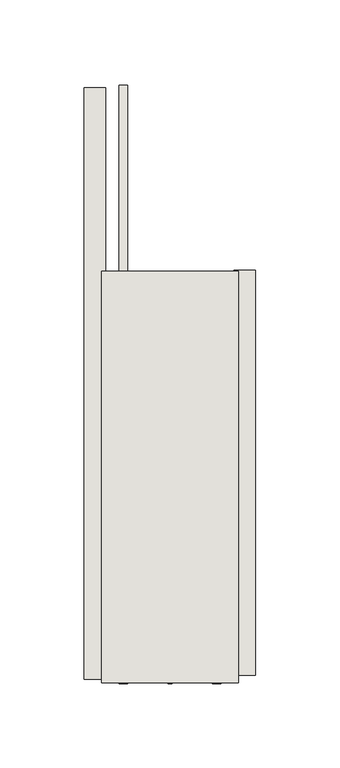
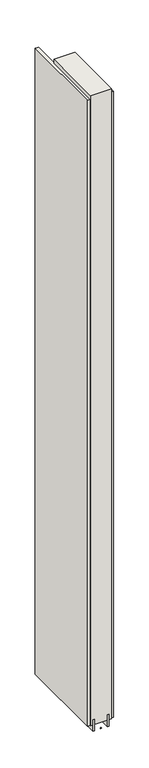
"""IFC4 building model written with IfcOpenShell, lengths in millimetres: wall geometry."""

from ifc_helpers import new_model, si_unit, frame, origin, place, context, project, spatial, polyline, outline, extrude, source, transform, mapped, element, save


def wall_4588a4bd(model_context):
    return source(origin(), model_context, "Body", "SweptSolid", [
        extrude(outline(polyline([(78033.282211, -56933.660961), (78033.282211, -56936.200961), (78030.742211, -56936.200961), (78030.742211, -56933.660961), (78033.282211, -56933.660961)])), frame((0.0, 0.0, 4419.6), z_axis=(0.0, 0.0, 1.0), x_axis=(1.0, 0.0, 0.0)), (0.0, 0.0, 1.0), 2.54),
        extrude(outline(polyline([(77981.212211, -56934.2008253), (77981.212211, -56583.7569999), (77993.912211, -56583.7569999), (77993.912211, -56934.2008253), (77981.212211, -56934.2008253)])), frame((0.0, 0.0, 4445.0), z_axis=(0.0, 0.0, 1.0), x_axis=(1.0, 0.0, 0.0)), (0.0, 0.0, 1.0), 2545.0498756),
        extrude(outline(polyline([(78082.812211, -56691.8909848), (78082.812211, -56931.7348028), (78070.112211, -56931.7348028), (78070.112211, -56691.8909848), (78082.812211, -56691.8909848)])), frame((0.0, 0.0, 4445.0), z_axis=(0.0, 0.0, 1.0), x_axis=(1.0, 0.0, 0.0)), (0.0, 0.0, 1.0), 2545.0498756),
        extrude(outline(polyline([(78006.9284664, -56581.749422), (78006.9284664, -56936.2084032), (78001.849711, -56936.2084032), (78001.849711, -56581.749422), (78006.9284664, -56581.749422)])), frame((0.0, 0.0, 4418.6602), z_axis=(0.0, 0.0, 1.0), x_axis=(1.0, 0.0, 0.0)), (0.0, 0.0, 1.0), 47.625),
        extrude(outline(polyline([(78006.9284664, -56581.749422), (78006.9284664, -56936.2084032), (78001.849711, -56936.2084032), (78001.849711, -56581.749422), (78006.9284664, -56581.749422)])), frame((0.0, 0.0, 4418.6602), z_axis=(0.0, 0.0, 1.0), x_axis=(1.0, 0.0, 0.0)), (0.0, 0.0, 1.0), 47.625),
        extrude(outline(polyline([(78057.0959556, -56936.2084032), (78057.0959556, -56692.365914), (78062.174711, -56692.365914), (78062.174711, -56936.2084032), (78057.0959556, -56936.2084032)])), frame((0.0, 0.0, 4418.6602), z_axis=(0.0, 0.0, 1.0), x_axis=(1.0, 0.0, 0.0)), (0.0, 0.0, 1.0), 47.625),
        extrude(outline(polyline([(78057.0959556, -56936.2084032), (78057.0959556, -56692.365914), (78062.174711, -56692.365914), (78062.174711, -56936.2084032), (78057.0959556, -56936.2084032)])), frame((0.0, 0.0, 4418.6602), z_axis=(0.0, 0.0, 1.0), x_axis=(1.0, 0.0, 0.0)), (0.0, 0.0, 1.0), 47.625),
        extrude(outline(polyline([(77991.3573266, -56692.365914), (78072.6670954, -56692.365914), (78072.6670954, -56936.2084032), (77991.3573266, -56936.2084032), (77991.3573266, -56692.365914)])), frame((0.0, 0.0, 4445.0), z_axis=(0.0, 0.0, 1.0), x_axis=(1.0, 0.0, 0.0)), (0.0, 0.0, 1.0), 2562.4536762),
    ])


if __name__ == "__main__":
    model = new_model("IFC4")
    model_context = context("Model", 3, world=origin())
    ifc_project = project(units=[si_unit("LENGTHUNIT", "METRE", prefix="MILLI")], contexts=[model_context])
    site = spatial("IfcSite", under=ifc_project)
    building = spatial("IfcBuilding", under=site)
    placement = place(None, origin())
    wall_shape = wall_4588a4bd(model_context)
    element("IfcWall", 1, at=placement, inside=building, context=model_context, shape_type="MappedRepresentation", body=[
        mapped(wall_shape, transform((0.0, 0.0, 0.0), x_axis=(1.0, 0.0, 0.0), y_axis=(0.0, 1.0, 0.0), z_axis=(0.0, 0.0, 1.0))),
    ])
    save(model, "model.ifc")
